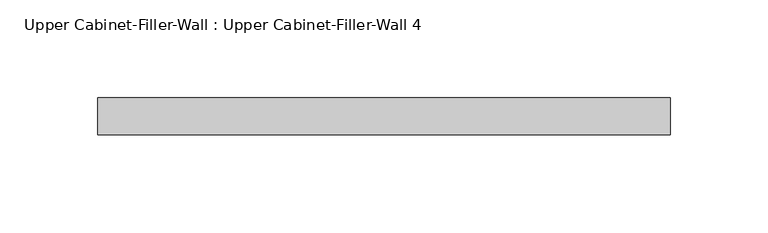
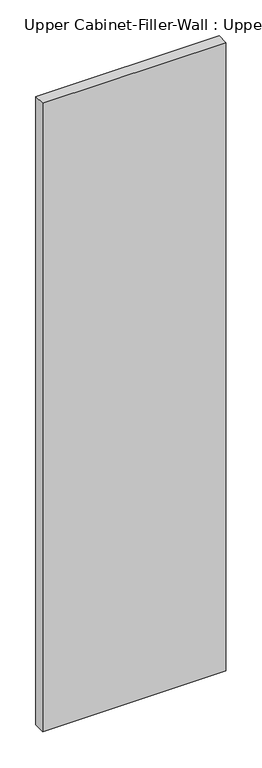
"""IFC4 building model written with IfcOpenShell, lengths in millimetres: furniture geometry, Upper Cabinet-Filler-Wall : Upper Cabinet-Filler-Wall 4."""

from ifc_helpers import new_model, si_unit, frame, origin, place, context, project, spatial, polyline, outline, extrude, source, transform, mapped, element, save


def upper_cabinet_filler_wall_upper_cabinet_filler_wall_4_7a050e10(model_context):
    return source(origin(), model_context, "Body", "SweptSolid", [
        extrude(outline(polyline([(-117.1412429, 347.6625), (-117.1412429, 366.7125), (176.6835685, 366.7125), (176.6835685, 347.6625), (-117.1412429, 347.6625)])), frame((0.0, 0.0, 1066.8), z_axis=(0.0, 0.0, 1.0), x_axis=(1.0, 0.0, 0.0)), (0.0, 0.0, 1.0), 1066.8),
    ])


if __name__ == "__main__":
    model = new_model("IFC4")
    model_context = context("Model", 3, world=origin())
    ifc_project = project(units=[si_unit("LENGTHUNIT", "METRE", prefix="MILLI")], contexts=[model_context])
    site = spatial("IfcSite", under=ifc_project)
    building = spatial("IfcBuilding", under=site)
    placement = place(None, origin())
    upper_cabinet_filler_wall_upper_cabinet_filler_wall_4_shape = upper_cabinet_filler_wall_upper_cabinet_filler_wall_4_7a050e10(model_context)
    element("IfcFurniture", 1, ObjectType="Upper Cabinet-Filler-Wall : Upper Cabinet-Filler-Wall 4", at=placement, inside=building, context=model_context, shape_type="MappedRepresentation", body=[
        mapped(upper_cabinet_filler_wall_upper_cabinet_filler_wall_4_shape, transform((0.0, 0.0, 0.0), x_axis=(1.0, 0.0, 0.0), y_axis=(0.0, 1.0, 0.0), z_axis=(0.0, 0.0, 1.0))),
    ])
    save(model, "model.ifc")
